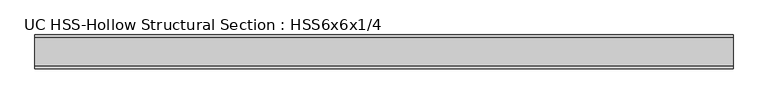
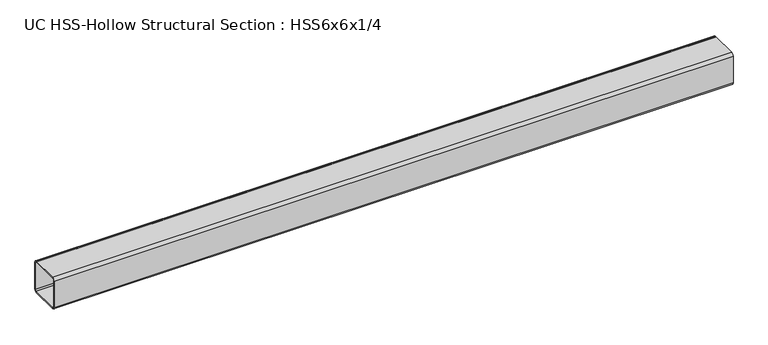
"""IFC4 building model written with IfcOpenShell, lengths in millimetres: beam geometry, UC HSS-Hollow Structural Section : HSS6x6x1/4."""

import ifcopenshell
import ifcopenshell.guid

model = None  # the IFC model being written
_history = None  # IfcOwnerHistory: only IFC2X3 demands one
_inside = {}  # id of a spatial element -> (the spatial element, [elements in it])
_under = {}  # id of a project, library or spatial element -> (it, [spatial elements below it])
_declared = {}  # id of a project -> (the project, [libraries it declares])
_typed = {}  # id of a type object -> (the type object, [elements of that type])
_made_of = {}  # id of a material, layer set ... -> (it, [elements and type objects made of it])


def new_model(schema):
    """Start an empty IFC model of exactly this schema.

    Asked for "IFC4X3", IfcOpenShell would pick the latest addendum, in which some entities
    have other attributes; the version numbers below select the first issue.
    IFC2X3 requires an IfcOwnerHistory on every rooted entity: one is made here for all.
    """
    global model, _history
    if schema == "IFC4X3":
        model = ifcopenshell.file(schema_version=(4, 3, 0, 0))
    else:
        model = ifcopenshell.file(schema=schema)
    _inside.clear()
    _under.clear()
    _declared.clear()
    _typed.clear()
    _made_of.clear()
    _history = None
    if model.schema == "IFC2X3":
        org = make("IfcOrganization", Name="unknown")
        user = make(
            "IfcPersonAndOrganization",
            ThePerson=make("IfcPerson", FamilyName="unknown"),
            TheOrganization=org,
        )
        app = make(
            "IfcApplication",
            ApplicationDeveloper=org,
            Version="unknown",
            ApplicationFullName="unknown",
            ApplicationIdentifier="unknown",
        )
        _history = make(
            "IfcOwnerHistory",
            OwningUser=user,
            OwningApplication=app,
            ChangeAction="ADDED",
            CreationDate=0,
        )
    return model


def make(cls, **values):
    """One entity of the class cls with the attributes given. An attribute that is None is left unset."""
    return model.create_entity(
        cls, **{name: value for name, value in values.items() if value is not None}
    )


def rooted(cls, **values):
    """An entity with a GlobalId (a new one), such as an element, a storey or a relation."""
    return make(cls, GlobalId=ifcopenshell.guid.new(), OwnerHistory=_history, **values)


def si_unit(unit_type, name, prefix=None):
    """IfcSIUnit, for example si_unit("LENGTHUNIT", "METRE", prefix="MILLI")."""
    return make("IfcSIUnit", UnitType=unit_type, Prefix=prefix, Name=name)


def assignment(units):
    """IfcUnitAssignment: the units of a project."""
    return None if units is None else make("IfcUnitAssignment", Units=units)


def point(xyz):
    """IfcCartesianPoint."""
    return None if xyz is None else make("IfcCartesianPoint", Coordinates=xyz)


def direction(xyz):
    """IfcDirection."""
    return None if xyz is None else make("IfcDirection", DirectionRatios=xyz)


def frame(location, z_axis=None, x_axis=None):
    """IfcAxis2Placement3D, a coordinate frame: its origin and axes. An axis left out is left unset."""
    return make(
        "IfcAxis2Placement3D",
        Location=point(location),
        Axis=direction(z_axis),
        RefDirection=direction(x_axis),
    )


def frame_2d(location, x_axis=None):
    """IfcAxis2Placement2D, a coordinate frame in the plane: its origin and x axis."""
    return make(
        "IfcAxis2Placement2D", Location=point(location), RefDirection=direction(x_axis)
    )


def origin():
    """The frame at (0, 0, 0) with its axes left unset."""
    return frame((0.0, 0.0, 0.0))


def place(relative_to, where):
    """IfcLocalPlacement: puts the frame where relative to a parent placement (None: the world)."""
    return make(
        "IfcLocalPlacement", PlacementRelTo=relative_to, RelativePlacement=where
    )


def context(
    kind, dimensions, precision=None, world=None, true_north=None, identifier=None
):
    """IfcGeometricRepresentationContext, for example the 3D "Model" context."""
    return make(
        "IfcGeometricRepresentationContext",
        ContextIdentifier=identifier,
        ContextType=kind,
        CoordinateSpaceDimension=dimensions,
        Precision=precision,
        WorldCoordinateSystem=world,
        TrueNorth=true_north,
    )


def project(units=None, contexts=None):
    """IfcProject with its units and contexts."""
    return rooted(
        "IfcProject",
        Name="project",
        RepresentationContexts=contexts,
        UnitsInContext=assignment(units),
    )


def spatial(cls, under=None, at=None, **own):
    """A site, building, storey or space (cls), placed at a placement, below another one or the project."""
    s = rooted(cls, ObjectPlacement=at, **own)
    if under is not None:
        _under.setdefault(under.id(), (under, []))[1].append(s)
    return s


def polyline(points):
    """IfcPolyline through the points."""
    return make("IfcPolyline", Points=[point(p) for p in points])


def circle_curve(where, radius):
    """IfcCircle in the frame where."""
    return make("IfcCircle", Position=where, Radius=radius)


def trimmed(basis, trim1, trim2, sense, master):
    """IfcTrimmedCurve: the piece of a basis curve between two trims."""
    return make(
        "IfcTrimmedCurve",
        BasisCurve=basis,
        Trim1=trim1,
        Trim2=trim2,
        SenseAgreement=sense,
        MasterRepresentation=master,
    )


def segment(curve, same_sense, transition):
    """IfcCompositeCurveSegment."""
    return make(
        "IfcCompositeCurveSegment",
        Transition=transition,
        SameSense=same_sense,
        ParentCurve=curve,
    )


def composite_curve(segments, self_intersect=None):
    """IfcCompositeCurve: segments joined end to end."""
    return make("IfcCompositeCurve", Segments=segments, SelfIntersect=self_intersect)


def outline(outer, holes=None, kind="AREA"):
    """IfcArbitraryClosedProfileDef: a profile drawn as a closed curve; with holes, ...WithVoids."""
    if holes is None:
        return make("IfcArbitraryClosedProfileDef", ProfileType=kind, OuterCurve=outer)
    return make(
        "IfcArbitraryProfileDefWithVoids",
        ProfileType=kind,
        OuterCurve=outer,
        InnerCurves=holes,
    )


def extrude(swept, where, along, depth):
    """IfcExtrudedAreaSolid: the profile swept, set in the frame where, extruded along a direction by depth."""
    return make(
        "IfcExtrudedAreaSolid",
        SweptArea=swept,
        Position=where,
        ExtrudedDirection=direction(along),
        Depth=depth,
    )


def shape(context_of_items, identifier, shape_type, items):
    """IfcShapeRepresentation: the items that make up one representation, for example the "Body"."""
    return make(
        "IfcShapeRepresentation",
        ContextOfItems=context_of_items,
        RepresentationIdentifier=identifier,
        RepresentationType=shape_type,
        Items=items,
    )


def source(mapping_origin, context_of_items, identifier, shape_type, items):
    """IfcRepresentationMap: a shape defined once, which mapped items show again and again."""
    return make(
        "IfcRepresentationMap",
        MappingOrigin=mapping_origin,
        MappedRepresentation=shape(context_of_items, identifier, shape_type, items),
    )


def transform(
    local_origin,
    x_axis=None,
    y_axis=None,
    z_axis=None,
    scale=None,
    scale2=None,
    scale3=None,
    uniform=True,
):
    """IfcCartesianTransformationOperator3D, or its non-uniform kind. x_axis, y_axis, z_axis: its Axis1, 2, 3."""
    if uniform:
        return make(
            "IfcCartesianTransformationOperator3D",
            Axis1=direction(x_axis),
            Axis2=direction(y_axis),
            LocalOrigin=point(local_origin),
            Scale=scale,
            Axis3=direction(z_axis),
        )
    return make(
        "IfcCartesianTransformationOperator3DnonUniform",
        Axis1=direction(x_axis),
        Axis2=direction(y_axis),
        LocalOrigin=point(local_origin),
        Scale=scale,
        Axis3=direction(z_axis),
        Scale2=scale2,
        Scale3=scale3,
    )


def mapped(mapping_source, mapping_target):
    """IfcMappedItem: shows the shape of a source again, moved by a transform."""
    return make(
        "IfcMappedItem", MappingSource=mapping_source, MappingTarget=mapping_target
    )


def made_of(thing, what):
    """Note that an element or type object is made of a material, layer set ...; save() writes the relation."""
    if what is not None:
        _made_of.setdefault(what.id(), (what, []))[1].append(thing)
    return thing


def element(
    cls,
    number,
    at=None,
    inside=None,
    cuts=None,
    type_object=None,
    material=None,
    context=None,
    identifier="Body",
    shape_type=None,
    held_by="IfcProductDefinitionShape",
    body=None,
    shapes=None,
    **own,
):
    """One element of the class cls, such as IfcWall. Its Tag is "e" and its number.

    at: its placement. inside: the storey or other place that contains it. cuts: it is an
    opening in that element (IfcRelVoidsElement). A single representation is given by context,
    identifier, shape_type and body (its items); several are given by shapes. held_by: the class
    of the entity that holds the representations. save() writes the other relations.
    """
    e = rooted(cls, Tag="e%d" % number, ObjectPlacement=at, **own)
    if body is not None:
        shapes = [shape(context, identifier, shape_type, body)]
    if shapes is not None:
        e.Representation = make(held_by, Representations=shapes)
    if inside is not None:
        _inside.setdefault(inside.id(), (inside, []))[1].append(e)
    if cuts is not None:
        rooted(
            "IfcRelVoidsElement", RelatingBuildingElement=cuts, RelatedOpeningElement=e
        )
    if type_object is not None:
        _typed.setdefault(type_object.id(), (type_object, []))[1].append(e)
    return made_of(e, material)


def aggregate(whole, parts):
    """IfcRelAggregates: a whole, such as a stair, and the parts it consists of."""
    return rooted("IfcRelAggregates", RelatingObject=whole, RelatedObjects=parts)


def save(model, path):
    """Write the relations noted so far, then the file.

    IfcRelAggregates (storeys below a building ...), IfcRelContainedInSpatialStructure (elements
    in a storey), IfcRelDefinesByType, IfcRelAssociatesMaterial and IfcRelDeclares: one each for
    every whole, place, type object, material and project.
    """
    for whole, parts in _under.values():
        aggregate(whole, parts)
    for where, things in _inside.values():
        rooted(
            "IfcRelContainedInSpatialStructure",
            RelatedElements=things,
            RelatingStructure=where,
        )
    for kind, things in _typed.values():
        rooted("IfcRelDefinesByType", RelatedObjects=things, RelatingType=kind)
    for what, things in _made_of.values():
        rooted("IfcRelAssociatesMaterial", RelatedObjects=things, RelatingMaterial=what)
    for by, libraries in _declared.values():
        rooted("IfcRelDeclares", RelatingContext=by, RelatedDefinitions=libraries)
    model.write(path)


def uc_hss_hollow_structural_section_hss6x6x1_4_58405a79(model_context):
    return source(origin(), model_context, "Body", "SweptSolid", [
        extrude(outline(composite_curve([segment(trimmed(circle_curve(frame_2d((-64.3636, 64.3636)), 11.8364), [point((-76.2, 64.3636))], [point((-64.3636, 76.2))], False, "CARTESIAN"), True, "CONTINUOUS"), segment(polyline([(-64.3636, 76.2), (64.3636, 76.2)]), True, "CONTINUOUS"), segment(trimmed(circle_curve(frame_2d((64.3636, 64.3636)), 11.8364), [point((64.3636, 76.2))], [point((76.2, 64.3636))], False, "CARTESIAN"), True, "CONTINUOUS"), segment(polyline([(76.2, 64.3636), (76.2, -64.3636)]), True, "CONTINUOUS"), segment(trimmed(circle_curve(frame_2d((64.3636, -64.3636)), 11.8364), [point((76.2, -64.3636))], [point((64.3636, -76.2))], False, "CARTESIAN"), True, "CONTINUOUS"), segment(polyline([(64.3636, -76.2), (-64.3636, -76.2)]), True, "CONTINUOUS"), segment(trimmed(circle_curve(frame_2d((-64.3636, -64.3636)), 11.8364), [point((-64.3636, -76.2))], [point((-76.2, -64.3636))], False, "CARTESIAN"), True, "CONTINUOUS"), segment(polyline([(-76.2, -64.3636), (-76.2, 64.3636)]), True, "CONTINUOUS")], self_intersect=False), holes=[composite_curve([segment(polyline([(64.3636, 70.2818), (-64.3636, 70.2818)]), True, "CONTINUOUS"), segment(trimmed(circle_curve(frame_2d((-64.3636, 64.3636)), 5.9182), [point((-64.3636, 70.2818))], [point((-70.2818, 64.3636))], True, "CARTESIAN"), True, "CONTINUOUS"), segment(polyline([(-70.2818, 64.3636), (-70.2818, -64.3636)]), True, "CONTINUOUS"), segment(trimmed(circle_curve(frame_2d((-64.3636, -64.3636)), 5.9182), [point((-70.2818, -64.3636))], [point((-64.3636, -70.2818))], True, "CARTESIAN"), True, "CONTINUOUS"), segment(polyline([(-64.3636, -70.2818), (64.3636, -70.2818)]), True, "CONTINUOUS"), segment(trimmed(circle_curve(frame_2d((64.3636, -64.3636)), 5.9182), [point((64.3636, -70.2818))], [point((70.2818, -64.3636))], True, "CARTESIAN"), True, "CONTINUOUS"), segment(polyline([(70.2818, -64.3636), (70.2818, 64.3636)]), True, "CONTINUOUS"), segment(trimmed(circle_curve(frame_2d((64.3636, 64.3636)), 5.9182), [point((70.2818, 64.3636))], [point((64.3636, 70.2818))], True, "CARTESIAN"), True, "CONTINUOUS")], self_intersect=False)]), frame((-1264.3042658, 0.0, 0.0), z_axis=(1.0, 0.0, 0.0), x_axis=(0.0, 1.0, 0.0)), (0.0, 0.0, 1.0), 3129.1465364),
    ])


if __name__ == "__main__":
    model = new_model("IFC4")
    model_context = context("Model", 3, world=origin())
    ifc_project = project(units=[si_unit("LENGTHUNIT", "METRE", prefix="MILLI")], contexts=[model_context])
    site = spatial("IfcSite", under=ifc_project)
    building = spatial("IfcBuilding", under=site)
    placement = place(None, origin())
    uc_hss_hollow_structural_section_hss6x6x1_4_shape = uc_hss_hollow_structural_section_hss6x6x1_4_58405a79(model_context)
    element("IfcBeam", 1, ObjectType="UC HSS-Hollow Structural Section : HSS6x6x1/4", at=placement, inside=building, context=model_context, shape_type="MappedRepresentation", body=[
        mapped(uc_hss_hollow_structural_section_hss6x6x1_4_shape, transform((0.0, 0.0, 0.0), x_axis=(1.0, 0.0, 0.0), y_axis=(0.0, 1.0, 0.0), z_axis=(0.0, 0.0, 1.0))),
    ])
    save(model, "model.ifc")
